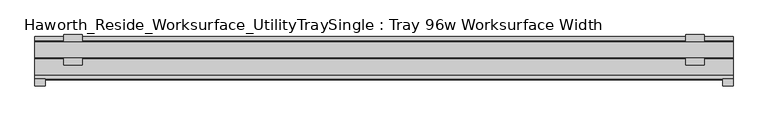
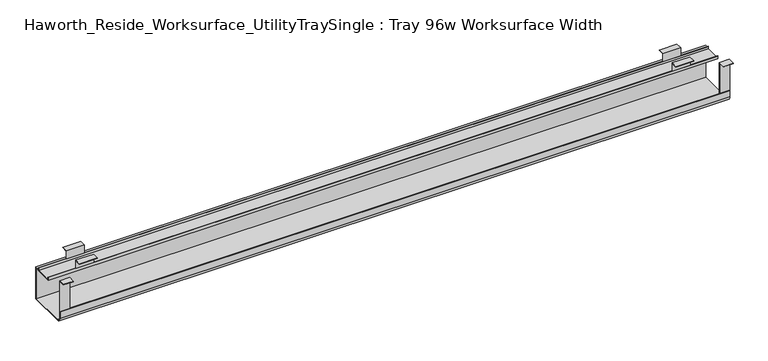
"""IFC4 building model written with IfcOpenShell, lengths in millimetres: furniture geometry, Haworth_Reside_Worksurface_UtilityTraySingle : Tray 96w Worksurface Width."""

from ifc_helpers import new_model, si_unit, point, frame, frame_2d, origin, place, context, project, spatial, polyline, circle_curve, trimmed, segment, composite_curve, outline, extrude, source, transform, mapped, element, save


def haworth_reside_worksurface_utilitytraysingle_tray_96w_dc0d33a4(model_context):
    return source(origin(), model_context, "Body", "SweptSolid", [
        extrude(outline(polyline([(85.2804983, 731.8375), (85.2804983, 705.0616227), (83.6929983, 705.0616227), (83.6929983, 730.25), (64.1984987, 730.25), (64.1984987, 731.8375), (85.2804983, 731.8375)])), frame((997.74375, 0.0, 0.0), z_axis=(1.0, 0.0, 0.0), x_axis=(0.0, 1.0, 0.0)), (0.0, 0.0, 1.0), 57.15),
        extrude(outline(polyline([(136.0804991, 731.8375), (157.1625, 731.8375), (157.1625, 730.25), (137.6679991, 730.25), (137.6679991, 705.0616227), (136.0804991, 705.0616227), (136.0804991, 731.8375)])), frame((997.74375, 0.0, 0.0), z_axis=(1.0, 0.0, 0.0), x_axis=(0.0, 1.0, 0.0)), (0.0, 0.0, 1.0), 57.15),
        extrude(outline(polyline([(85.2804983, 731.8375), (85.2804983, 705.0616227), (83.6929983, 705.0616227), (83.6929983, 730.25), (64.1984987, 730.25), (64.1984987, 731.8375), (85.2804983, 731.8375)])), frame((-902.49375, 0.0, 0.0), z_axis=(1.0, 0.0, 0.0), x_axis=(0.0, 1.0, 0.0)), (0.0, 0.0, 1.0), 57.15),
        extrude(outline(polyline([(136.0804991, 731.8375), (157.1625, 731.8375), (157.1625, 730.25), (137.6679991, 730.25), (137.6679991, 705.0616227), (136.0804991, 705.0616227), (136.0804991, 731.8375)])), frame((-902.49375, 0.0, 0.0), z_axis=(1.0, 0.0, 0.0), x_axis=(0.0, 1.0, 0.0)), (0.0, 0.0, 1.0), 57.15),
        extrude(outline(polyline([(21.0438957, 731.8375), (21.0438957, 622.3673792), (19.4563957, 622.3673792), (19.4563957, 730.25), (0.0, 730.25), (0.0, 731.8375), (21.0438957, 731.8375)])), frame((1111.25, 0.0, 0.0), z_axis=(1.0, 0.0, 0.0), x_axis=(0.0, 1.0, 0.0)), (0.0, 0.0, 1.0), 31.75),
        extrude(outline(polyline([(21.0438957, 731.8375), (21.0438957, 622.3673792), (19.4563957, 622.3673792), (19.4563957, 730.25), (0.0, 730.25), (0.0, 731.8375), (21.0438957, 731.8375)])), frame((-990.6, 0.0, 0.0), z_axis=(1.0, 0.0, 0.0), x_axis=(0.0, 1.0, 0.0)), (0.0, 0.0, 1.0), 31.75),
        extrude(outline(composite_curve([segment(polyline([(151.2189002, 592.1375), (33.7438957, 592.1375)]), True, "CONTINUOUS"), segment(trimmed(circle_curve(frame_2d((33.7438957, 608.0125)), 15.875), [point((33.7438957, 592.1375))], [point((17.8688957, 608.0125))], False, "CARTESIAN"), True, "CONTINUOUS"), segment(polyline([(17.8688957, 608.0125), (17.8688957, 629.0309801), (19.4563957, 629.0309801), (19.4563957, 608.0759608)]), True, "CONTINUOUS"), segment(trimmed(circle_curve(frame_2d((33.7438957, 608.0759608)), 14.2875), [point((19.4563957, 608.0759608))], [point((33.7438957, 593.7884608))], True, "CARTESIAN"), True, "CONTINUOUS"), segment(polyline([(33.7438957, 593.7884608), (149.6314002, 593.7884608), (149.6314002, 698.4364942), (137.6679991, 698.4364942), (137.6679991, 695.8584054), (83.6929983, 695.8584054), (83.6929983, 705.0616227), (85.2804983, 705.0616227), (85.2804983, 697.4459054), (136.0804991, 697.4459054), (136.0804991, 705.0616227), (137.6679991, 705.0616227), (137.6679991, 700.0239942), (151.2189002, 700.0239942), (151.2189002, 592.1375)]), True, "CONTINUOUS")], self_intersect=False)), frame((-990.6, 0.0, 0.0), z_axis=(1.0, 0.0, 0.0), x_axis=(0.0, 1.0, 0.0)), (0.0, 0.0, 1.0), 2133.6),
    ])


if __name__ == "__main__":
    model = new_model("IFC4")
    model_context = context("Model", 3, world=origin())
    ifc_project = project(units=[si_unit("LENGTHUNIT", "METRE", prefix="MILLI")], contexts=[model_context])
    site = spatial("IfcSite", under=ifc_project)
    building = spatial("IfcBuilding", under=site)
    placement = place(None, origin())
    haworth_reside_worksurface_utilitytraysingle_tray_96w_shape = haworth_reside_worksurface_utilitytraysingle_tray_96w_dc0d33a4(model_context)
    element("IfcFurniture", 1, ObjectType="Haworth_Reside_Worksurface_UtilityTraySingle : Tray 96w Worksurface Width", at=placement, inside=building, context=model_context, shape_type="MappedRepresentation", body=[
        mapped(haworth_reside_worksurface_utilitytraysingle_tray_96w_shape, transform((0.0, 0.0, 0.0), x_axis=(1.0, 0.0, 0.0), y_axis=(0.0, 1.0, 0.0), z_axis=(0.0, 0.0, 1.0))),
    ])
    save(model, "model.ifc")
